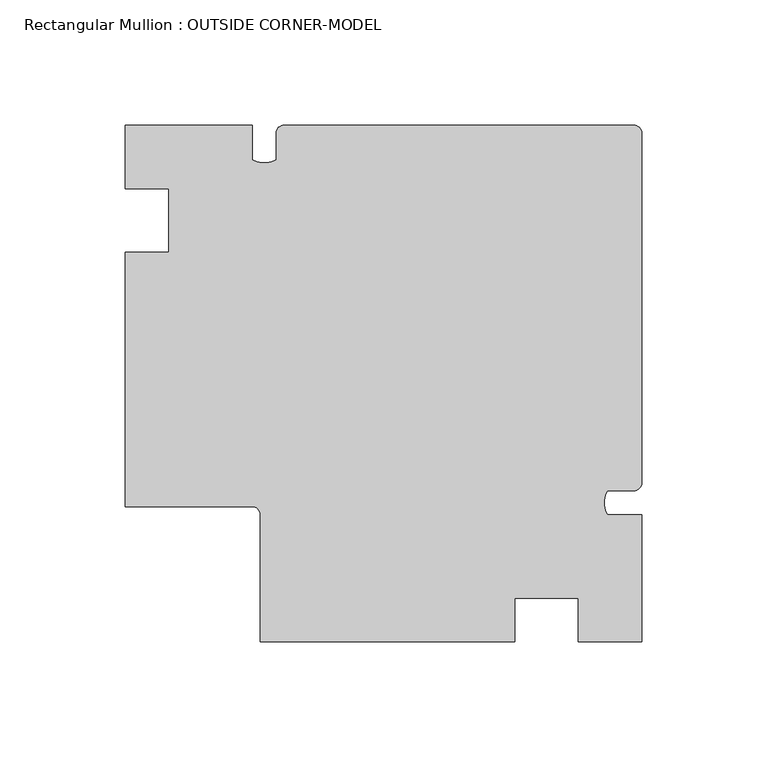
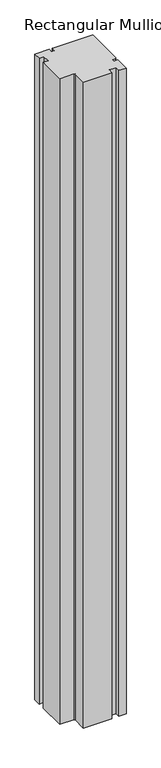
"""IFC4 building model written with IfcOpenShell, lengths in millimetres: member geometry, Rectangular Mullion : OUTSIDE CORNER-MODEL."""

from ifc_helpers import new_model, si_unit, point, frame, frame_2d, origin, place, context, project, spatial, polyline, circle_curve, trimmed, segment, composite_curve, outline, extrude, source, transform, mapped, element, save


def rectangular_mullion_outside_corner_model_7f92bf45(model_context):
    return source(origin(), model_context, "Body", "SweptSolid", [
        extrude(outline(composite_curve([segment(polyline([(-302.0822577, -44.45), (-284.6324577, -44.45), (-284.6324577, -19.05), (-302.0822577, -19.05), (-302.0822577, 6.35), (-251.2822577, 6.35), (-251.2822577, -7.4676)]), True, "CONTINUOUS"), segment(trimmed(circle_curve(frame_2d((-246.5197577, 0.781292)), 9.525), [point((-251.2822577, -7.4676))], [point((-241.7572577, -7.4676))], True, "CARTESIAN"), True, "CONTINUOUS"), segment(polyline([(-241.7572577, -7.4676), (-241.7572577, 3.175)]), True, "CONTINUOUS"), segment(trimmed(circle_curve(frame_2d((-238.5822577, 3.175)), 3.175), [point((-241.7572577, 3.175))], [point((-238.5822577, 6.35))], False, "CARTESIAN"), True, "CONTINUOUS"), segment(polyline([(-238.5822577, 6.35), (-98.8822577, 6.35)]), True, "CONTINUOUS"), segment(trimmed(circle_curve(frame_2d((-98.8822577, 3.175)), 3.175), [point((-98.8822577, 6.35))], [point((-95.7072577, 3.175))], False, "CARTESIAN"), True, "CONTINUOUS"), segment(polyline([(-95.7072577, 3.175), (-95.7072577, -136.525)]), True, "CONTINUOUS"), segment(trimmed(circle_curve(frame_2d((-98.8822577, -136.525)), 3.175), [point((-95.7072577, -136.525))], [point((-98.8822577, -139.7))], False, "CARTESIAN"), True, "CONTINUOUS"), segment(polyline([(-98.8822577, -139.7), (-109.5248577, -139.7)]), True, "CONTINUOUS"), segment(trimmed(circle_curve(frame_2d((-101.2759657, -144.4625)), 9.525), [point((-109.5248577, -139.7))], [point((-109.5248577, -149.225))], True, "CARTESIAN"), True, "CONTINUOUS"), segment(polyline([(-109.5248577, -149.225), (-95.7072577, -149.225), (-95.7072577, -200.025), (-121.1072577, -200.025), (-121.1072577, -182.5752), (-146.5072577, -182.5752), (-146.5072577, -200.025), (-248.1072577, -200.025), (-248.1072577, -149.225)]), True, "CONTINUOUS"), segment(trimmed(circle_curve(frame_2d((-251.2822577, -149.225)), 3.175), [point((-248.1072577, -149.225))], [point((-251.2822577, -146.05))], True, "CARTESIAN"), True, "CONTINUOUS"), segment(polyline([(-251.2822577, -146.05), (-302.0822577, -146.05), (-302.0822577, -44.45)]), True, "CONTINUOUS")], self_intersect=False)), frame((0.0, 0.0, -2438.4), z_axis=(0.0, 0.0, 1.0), x_axis=(1.0, 0.0, 0.0)), (0.0, 0.0, 1.0), 2438.4),
    ])


if __name__ == "__main__":
    model = new_model("IFC4")
    model_context = context("Model", 3, world=origin())
    ifc_project = project(units=[si_unit("LENGTHUNIT", "METRE", prefix="MILLI")], contexts=[model_context])
    site = spatial("IfcSite", under=ifc_project)
    building = spatial("IfcBuilding", under=site)
    placement = place(None, origin())
    rectangular_mullion_outside_corner_model_shape = rectangular_mullion_outside_corner_model_7f92bf45(model_context)
    element("IfcMember", 1, ObjectType="Rectangular Mullion : OUTSIDE CORNER-MODEL", at=placement, inside=building, context=model_context, shape_type="MappedRepresentation", body=[
        mapped(rectangular_mullion_outside_corner_model_shape, transform((0.0, 0.0, 0.0), x_axis=(1.0, 0.0, 0.0), y_axis=(0.0, 1.0, 0.0), z_axis=(0.0, 0.0, 1.0))),
    ])
    save(model, "model.ifc")
